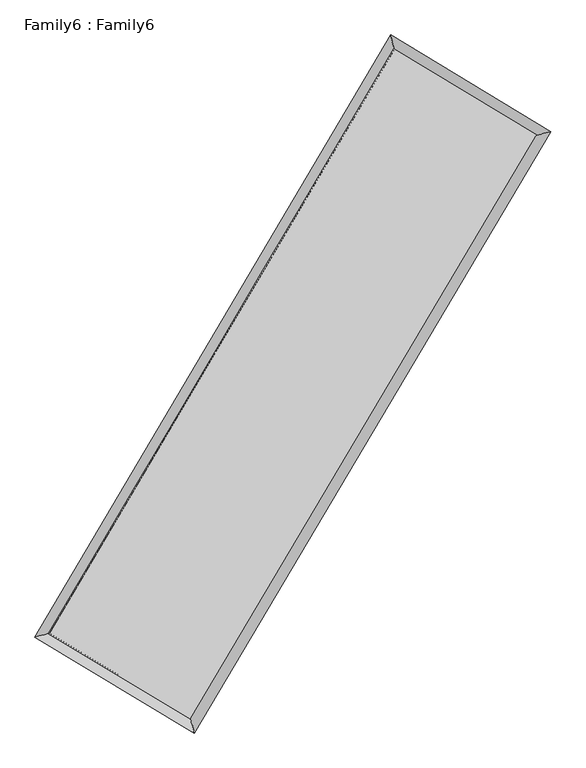
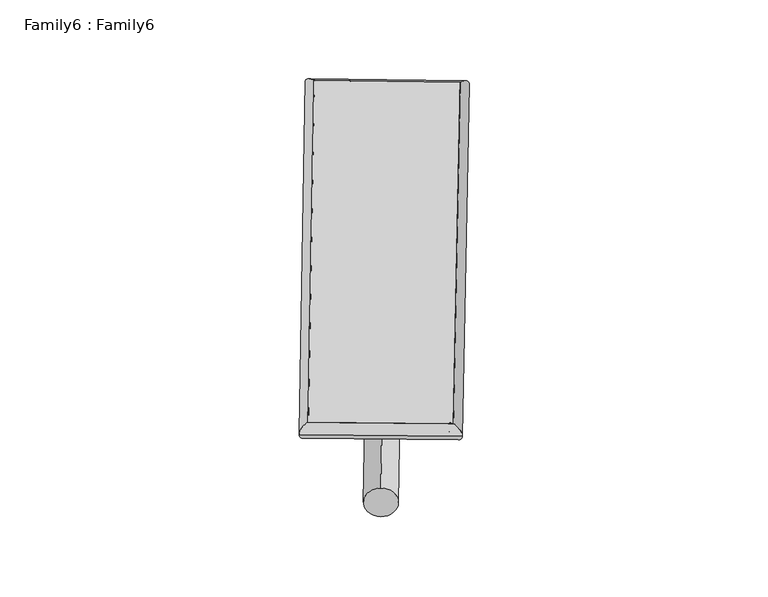
"""IFC4 building model written with IfcOpenShell, lengths in millimetres: plate geometry, Family6 : Family6."""

from ifc_helpers import new_model, si_unit, point, frame, origin, origin_2d, place, context, project, spatial, circle_curve, ellipse_curve, trimmed, segment, composite_curve, outline, extrude, source, transform, mapped, element, save
from ifc_brep_helpers import plane_surface, cylinder_surface, spline_surface, advanced_brep


def family6_family6_51d4bfd3(model_context):
    return source(origin(), model_context, "Body", "SolidModel", [
        extrude(outline(composite_curve([segment(trimmed(circle_curve(origin_2d(), 76.2), [point((-75.4341514, -10.7763074))], [point((75.4341514, 10.7763074))], False, "CARTESIAN"), True, "CONTINUOUS"), segment(trimmed(circle_curve(origin_2d(), 76.2), [point((75.4341514, 10.7763074))], [point((-75.4341514, -10.7763074))], False, "CARTESIAN"), True, "CONTINUOUS")], self_intersect=False)), frame((9144.0, 9144.0, 0.0), z_axis=(0.6739312274365492, 0.6863701560526493, 0.27333625732077366), x_axis=(-0.6784797457630042, 0.7214106448990565, -0.1386791837865251)), (0.0, 0.0, 1.0), 5560.6702718),
        extrude(outline(composite_curve([segment(trimmed(circle_curve(origin_2d(), 76.2), [point((-53.8815368, 53.8815367))], [point((53.8815368, -53.8815367))], False, "CARTESIAN"), True, "CONTINUOUS"), segment(trimmed(circle_curve(origin_2d(), 76.2), [point((53.8815368, -53.8815367))], [point((-53.8815368, 53.8815367))], False, "CARTESIAN"), True, "CONTINUOUS")], self_intersect=False)), frame((9144.0, 9144.0, 0.0), z_axis=(-0.6728472185589777, -0.6874263991354752, 0.27335245791666446), x_axis=(0.6417345925839425, -0.35853676646220695, 0.6779587743926222)), (0.0, 0.0, 1.0), 5560.1488463),
        extrude(outline(composite_curve([segment(trimmed(circle_curve(origin_2d(), 76.2), [point((-53.8815368, -53.8815367))], [point((53.8815368, 53.8815367))], False, "CARTESIAN"), True, "CONTINUOUS"), segment(trimmed(circle_curve(origin_2d(), 76.2), [point((53.8815368, 53.8815367))], [point((-53.8815368, -53.8815367))], False, "CARTESIAN"), True, "CONTINUOUS")], self_intersect=False)), frame((9144.0, 9144.0, 0.0), z_axis=(0.2782194093932567, 0.9208899688067331, 0.2730487604586435), x_axis=(-0.8390947433890028, 0.37136809579733704, -0.39749936986214646)), (0.0, 0.0, 1.0), 5585.0200307),
        extrude(outline(composite_curve([segment(trimmed(circle_curve(origin_2d(), 76.2), [point((-75.4341514, 10.7763074))], [point((75.4341514, -10.7763074))], False, "CARTESIAN"), True, "CONTINUOUS"), segment(trimmed(circle_curve(origin_2d(), 76.2), [point((75.4341514, -10.7763074))], [point((-75.4341514, 10.7763074))], False, "CARTESIAN"), True, "CONTINUOUS")], self_intersect=False)), frame((9144.0, 9144.0, 0.0), z_axis=(-0.27952169750274436, -0.9204418599991671, 0.27322957926706637), x_axis=(0.8769986337618643, -0.128926763002419, 0.46287286176826326)), (0.0, 0.0, 1.0), 5581.0417098),
        advanced_brep(
        [(5194.8427702, 5269.2633351, 1520.2796083), (5610.8966966, 5374.3516532, 1520.3880144), (5610.8958577, 5374.3504647, 1519.4810988), (10750.7730457, 14077.0955285, 1524.4340679), (10644.9489031, 14497.2823151, 1525.5315251), (5194.8419314, 5269.2621466, 1519.3726926), (12683.3794016, 12908.4382173, 1519.9850163), (13099.6392816, 13012.9180271, 1519.8805843), (7531.1689654, 4216.7594546, 1524.8123665), (7636.7865294, 3797.1917211, 1524.99899)],
        [
            (0, 1, ellipse_curve(frame((5402.869314, 5321.8068999, 1519.8803535), z_axis=(-0.24489192461471762, 0.9695498208872873, -0.0010440670135339872), x_axis=(-0.969548417865254, -0.24489345439945345, -0.001749687768087472)), 214.5614548, 152.4)),
            (1, 2, ellipse_curve(frame((5402.869314, 5321.8068999, 1519.8803535), z_axis=(-0.24489192461471762, 0.9695498208872873, -0.0010440670135339872), x_axis=(-0.969548417865254, -0.24489345439945345, -0.001749687768087472)), 214.5614548, 152.4)),
            (2, 3),
            (3, 4, ellipse_curve(frame((10697.8609744, 14287.1889218, 1524.9827965), z_axis=(-0.9697176758389109, -0.244226375798087, 0.0010519173505303492), x_axis=(0.2442243800220957, -0.9697172049573861, -0.0017304948591989964)), 216.6546864, 152.4)),
            (4, 0),
            (2, 5, ellipse_curve(frame((5402.869314, 5321.8068999, 1519.8803535), z_axis=(-0.24489192461471762, 0.9695498208872873, -0.0010440670135339872), x_axis=(-0.969548417865254, -0.24489345439945345, -0.001749687768087472)), 214.5614548, 152.4)),
            (5, 0, ellipse_curve(frame((5402.869314, 5321.8068999, 1519.8803535), z_axis=(-0.24489192461471762, 0.9695498208872873, -0.0010440670135339872), x_axis=(-0.969548417865254, -0.24489345439945345, -0.001749687768087472)), 214.5614548, 152.4)),
            (4, 3, ellipse_curve(frame((10697.8609744, 14287.1889218, 1524.9827965), z_axis=(-0.9697176758389109, -0.244226375798087, 0.0010519173505303492), x_axis=(0.2442243800220957, -0.9697172049573861, -0.0017304948591989964)), 216.6546864, 152.4)),
            (3, 6),
            (6, 7, ellipse_curve(frame((12891.5093416, 12960.6781222, 1519.9328003), z_axis=(-0.24344488249553364, 0.9699141640389479, 0.0010505157612412934), x_axis=(-0.9699127890244682, -0.24344642027030694, 0.0017384315777157252)), 214.5860747, 152.4)),
            (7, 4),
            (7, 6, ellipse_curve(frame((12891.5093416, 12960.6781222, 1519.9328003), z_axis=(-0.24344488249553364, 0.9699141640389479, 0.0010505157612412934), x_axis=(-0.9699127890244682, -0.24344642027030694, 0.0017384315777157252)), 214.5860747, 152.4)),
            (6, 8),
            (8, 9, ellipse_curve(frame((7583.9777474, 4006.9755879, 1524.9056782), z_axis=(0.9697459345970654, 0.24411410407237577, 0.0010613790112696394), x_axis=(-0.24411210038751796, 0.9697454825223351, -0.0017267228839774316)), 216.3287466, 152.4)),
            (9, 7),
            (9, 8, ellipse_curve(frame((7583.9777474, 4006.9755879, 1524.9056782), z_axis=(0.9697459345970654, 0.24411410407237577, 0.0010613790112696394), x_axis=(-0.24411210038751796, 0.9697454825223351, -0.0017267228839774316)), 216.3287466, 152.4)),
            (8, 1),
            (5, 9),
        ],
        [
            cylinder_surface(frame((5402.869314, 5321.8068999, 1519.8803535), z_axis=(-0.508534613052358, -0.8610414085201841, -0.0004900421066381046), x_axis=(-0.8610381339898037, 0.5085309117216132, 0.0031054208961063014)), 152.4),
            cylinder_surface(frame((10697.8609744, 14287.1889218, 1524.9827965), z_axis=(-0.8557098097996848, 0.5174522594333981, 0.001969928896905007), x_axis=(0.5174553068389739, 0.8557087197612528, 0.0016100772469915107)), 152.4),
            cylinder_surface(frame((12891.5093416, 12960.6781222, 1519.9328003), z_axis=(0.5099184983621358, 0.8602225855945514, -0.00047776681470512153), x_axis=(0.8602227083009044, -0.5099184983621358, 0.00013096397098298192)), 152.4),
            cylinder_surface(frame((7583.9777474, 4006.9755879, 1524.9056782), z_axis=(0.8564212298905955, -0.5162739422217925, 0.001973214496508376), x_axis=(-0.5162721341957024, -0.8564234882241702, -0.0013755984004837805)), 152.4),
        ],
        [
            (0, [[1, 2, 3, 4, 5]]),
            (0, [[6, 7, -5, 8, -3]]),
            (1, [[-4, 9, 10, 11]]),
            (1, [[-8, -11, 12, -9]]),
            (2, [[-10, 13, 14, 15]]),
            (2, [[-12, -15, 16, -13]]),
            (3, [[-14, 17, -1, -7, 18]]),
            (3, [[-16, -18, -6, -2, -17]]),
        ],
    ),
        extrude(outline(composite_curve([segment(trimmed(circle_curve(origin_2d(), 304.8), [point((0.0, 304.8))], [point((0.0, -304.8))], False, "CARTESIAN"), True, "CONTINUOUS"), segment(trimmed(circle_curve(origin_2d(), 304.8), [point((0.0, -304.8))], [point((0.0, 304.8))], False, "CARTESIAN"), True, "CONTINUOUS")], self_intersect=False)), frame((11802.4667042, 13642.5578837, -5.98e-05), z_axis=(-0.508761646103188, -0.8609074209544105, 1.1448812358599205e-08), x_axis=(-0.8609074209544105, 0.508761646103188, -3.1300410519616865e-09)), (0.0, 0.0, 1.0), 10450.7355244),
        advanced_brep(
        [(5402.869314, 5321.8068999, 1519.8803535), (7583.9777474, 4006.9755879, 1524.9056782), (7583.9787312, 4006.9738894, 1677.3056782), (5402.8702977, 5321.8052014, 1672.2803535), (12891.5093416, 12960.6781222, 1519.9328003), (12891.5103254, 12960.6764237, 1672.3328003), (10697.8609744, 14287.1889218, 1524.9827965), (10697.8619581, 14287.1872233, 1677.3827965)],
        [
            (0, 1),
            (1, 2),
            (2, 3),
            (3, 0),
            (1, 4),
            (4, 5),
            (5, 2),
            (4, 6),
            (6, 7),
            (7, 5),
            (6, 0),
            (3, 7),
        ],
        [
            plane_surface(frame((6493.4235307, 4664.3912439, 1522.3930159), z_axis=(-0.5162749367925075, -0.8564229034777746, -6.212185835696021e-06), x_axis=(0.8564212298905958, -0.5162739422217921, 0.0019732144965083766))),
            plane_surface(frame((10237.7435445, 8483.826855, 1522.4192393), z_axis=(0.8602226809807143, -0.5099185611449274, -1.1235621274650876e-05), x_axis=(0.5099184983621353, 0.8602225855945517, -0.00047776681470512196))),
            plane_surface(frame((11794.685158, 13623.933522, 1522.4577984), z_axis=(0.5174532738898004, 0.8557114638137842, 6.196650899963031e-06), x_axis=(-0.8557098097996845, 0.5174522594333986, 0.001969928896905007))),
            plane_surface(frame((8050.3651442, 9804.4979109, 1522.431575), z_axis=(-0.8610415146491682, 0.5085346693438462, 1.122548351578919e-05), x_axis=(-0.5085346130523579, -0.861041408520184, -0.000490042106638105))),
            spline_surface(1, 1, [[(7583.9787312, 4006.9738894, 1677.3056782), (5402.8702977, 5321.8052014, 1672.2803535)], [(12891.5103254, 12960.6764237, 1672.3328003), (10697.8619581, 14287.1872233, 1677.3827965)]], [2, 2], [2, 2], [0.0, 1.0], [0.0, 1.0]),
            spline_surface(1, 1, [[(10697.8609744, 14287.1889218, 1524.9827965), (5402.869314, 5321.8068999, 1519.8803535)], [(12891.5093416, 12960.6781222, 1519.9328003), (7583.9777474, 4006.9755879, 1524.9056782)]], [2, 2], [2, 2], [0.0, 1.0], [0.0, 1.0]),
        ],
        [
            (0, [[1, 2, 3, 4]]),
            (1, [[5, 6, 7, -2]]),
            (2, [[8, 9, 10, -6]]),
            (3, [[11, -4, 12, -9]]),
            (4, [[-3, -7, -10, -12]]),
            (5, [[-11, -8, -5, -1]]),
        ],
    ),
    ])


if __name__ == "__main__":
    model = new_model("IFC4")
    model_context = context("Model", 3, world=origin())
    ifc_project = project(units=[si_unit("LENGTHUNIT", "METRE", prefix="MILLI")], contexts=[model_context])
    site = spatial("IfcSite", under=ifc_project)
    building = spatial("IfcBuilding", under=site)
    placement = place(None, origin())
    family6_family6_shape = family6_family6_51d4bfd3(model_context)
    element("IfcPlate", 1, ObjectType="Family6 : Family6", at=placement, inside=building, context=model_context, shape_type="MappedRepresentation", body=[
        mapped(family6_family6_shape, transform((0.0, 0.0, 0.0), x_axis=(1.0, 0.0, 0.0), y_axis=(0.0, 1.0, 0.0), z_axis=(0.0, 0.0, 1.0))),
    ])
    save(model, "model.ifc")
